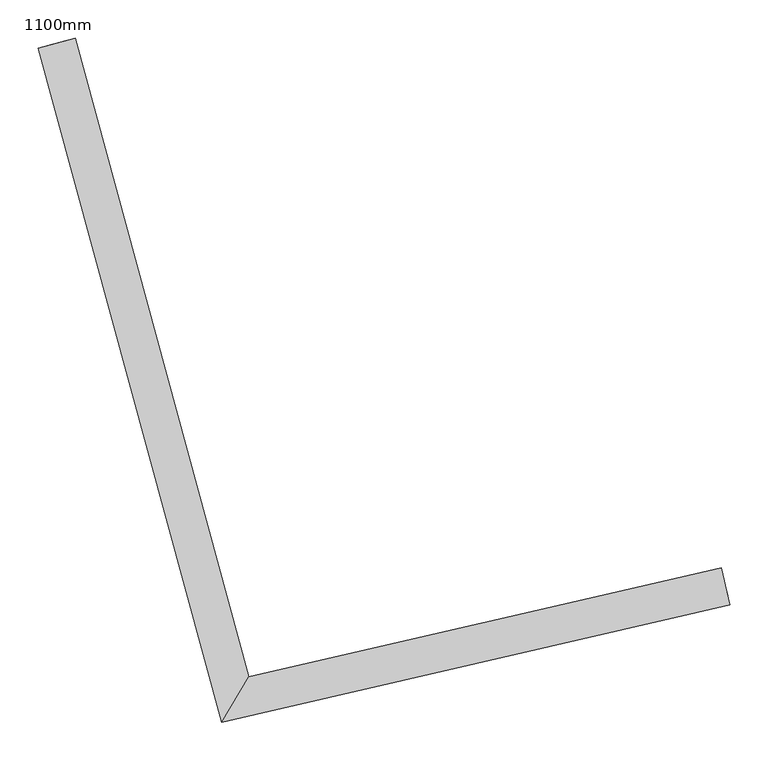
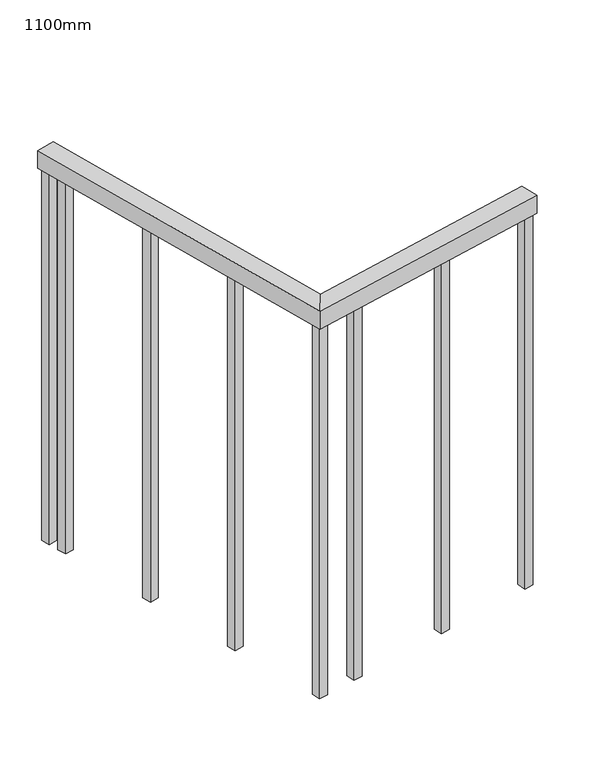
"""IFC4 building model written with IfcOpenShell, lengths in millimetres: railing geometry, 1100mm."""

from ifc_helpers import new_model, si_unit, frame, origin, place, context, project, spatial, polyline, outline, extrude, faceted_brep, source, transform, mapped, element, save


def railing_1100mm_9fce3d3b(model_context):
    return source(origin(), model_context, "Body", "SolidModel", [
        faceted_brep([(117161.8695069, 61511.6755286, 1700.0), (117173.1170596, 61462.9570253, 1700.0), (117173.1170596, 61462.9570253, 1650.0), (117161.8695069, 61511.6755286, 1650.0), (116543.7227618, 61368.9651077, 1700.0), (116508.0922963, 61309.4239612, 1700.0), (116508.0922963, 61309.4239612, 1650.0), (116543.7227618, 61368.9651077, 1650.0), (116316.4260729, 62205.2145673, 1700.0), (116316.4260729, 62205.2145673, 1650.0), (116268.1766023, 62192.1001255, 1650.0), (116268.1766023, 62192.1001255, 1700.0)], [[[0, 1, 2, 3]], [[1, 0, 4, 5]], [[2, 1, 5, 6]], [[3, 2, 6, 7]], [[0, 3, 7, 4]], [[8, 9, 10, 11]], [[5, 4, 8, 11]], [[6, 5, 11, 10]], [[7, 6, 10, 9]], [[4, 7, 9, 8]]]),
        extrude(outline(polyline([(116324.8602166, 62126.5270424), (116300.7354813, 62119.9698215), (116294.1782604, 62144.0945568), (116318.3029957, 62150.6517777), (116324.8602166, 62126.5270424)])), frame((0.0, 0.0, 600.0), z_axis=(0.0, 0.0, 1.0), x_axis=(1.0, 0.0, 0.0)), (0.0, 0.0, 1.0), 1050.0),
        extrude(outline(polyline([(116396.9896468, 61861.154954), (116372.8649115, 61854.5977331), (116366.3076906, 61878.7224684), (116390.4324259, 61885.2796893), (116396.9896468, 61861.154954)])), frame((0.0, 0.0, 600.0), z_axis=(0.0, 0.0, 1.0), x_axis=(1.0, 0.0, 0.0)), (0.0, 0.0, 1.0), 1050.0),
        extrude(outline(polyline([(116469.119077, 61595.7828656), (116444.9943417, 61589.2256447), (116438.4371208, 61613.35038), (116462.5618561, 61619.9076009), (116469.119077, 61595.7828656)])), frame((0.0, 0.0, 600.0), z_axis=(0.0, 0.0, 1.0), x_axis=(1.0, 0.0, 0.0)), (0.0, 0.0, 1.0), 1050.0),
        extrude(outline(polyline([(116640.9574852, 61378.584711), (116646.5812616, 61354.2254594), (116622.22201, 61348.6016831), (116616.5982336, 61372.9609347), (116640.9574852, 61378.584711)])), frame((0.0, 0.0, 600.0), z_axis=(0.0, 0.0, 1.0), x_axis=(1.0, 0.0, 0.0)), (0.0, 0.0, 1.0), 1050.0),
        extrude(outline(polyline([(116908.9092531, 61440.446251), (116914.5330294, 61416.0869994), (116890.1737778, 61410.463223), (116884.5500014, 61434.8224746), (116908.9092531, 61440.446251)])), frame((0.0, 0.0, 600.0), z_axis=(0.0, 0.0, 1.0), x_axis=(1.0, 0.0, 0.0)), (0.0, 0.0, 1.0), 1050.0),
        extrude(outline(polyline([(116535.2752667, 61354.1860484), (116540.8990431, 61329.8267968), (116516.5397914, 61324.2030204), (116510.9160151, 61348.562272), (116535.2752667, 61354.1860484)])), frame((0.0, 0.0, 600.0), z_axis=(0.0, 0.0, 1.0), x_axis=(1.0, 0.0, 0.0)), (0.0, 0.0, 1.0), 1050.0),
        extrude(outline(polyline([(116310.9209262, 62177.8112215), (116286.7961909, 62171.2540006), (116280.2389699, 62195.3787359), (116304.3637053, 62201.9359568), (116310.9209262, 62177.8112215)])), frame((0.0, 0.0, 600.0), z_axis=(0.0, 0.0, 1.0), x_axis=(1.0, 0.0, 0.0)), (0.0, 0.0, 1.0), 1050.0),
        extrude(outline(polyline([(117164.6813951, 61499.4959027), (117170.3051714, 61475.1366511), (117145.9459198, 61469.5128748), (117140.3221434, 61493.8721264), (117164.6813951, 61499.4959027)])), frame((0.0, 0.0, 600.0), z_axis=(0.0, 0.0, 1.0), x_axis=(1.0, 0.0, 0.0)), (0.0, 0.0, 1.0), 1050.0),
    ])


if __name__ == "__main__":
    model = new_model("IFC4")
    model_context = context("Model", 3, world=origin())
    ifc_project = project(units=[si_unit("LENGTHUNIT", "METRE", prefix="MILLI")], contexts=[model_context])
    site = spatial("IfcSite", under=ifc_project)
    building = spatial("IfcBuilding", under=site)
    placement = place(None, origin())
    railing_1100mm_shape = railing_1100mm_9fce3d3b(model_context)
    element("IfcRailing", 1, ObjectType="1100mm", at=placement, inside=building, context=model_context, shape_type="MappedRepresentation", body=[
        mapped(railing_1100mm_shape, transform((0.0, 0.0, 0.0), x_axis=(1.0, 0.0, 0.0), y_axis=(0.0, 1.0, 0.0), z_axis=(0.0, 0.0, 1.0))),
    ])
    save(model, "model.ifc")
